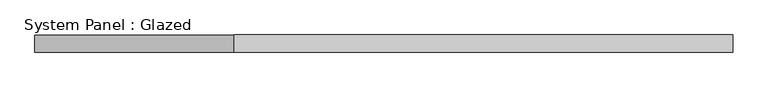
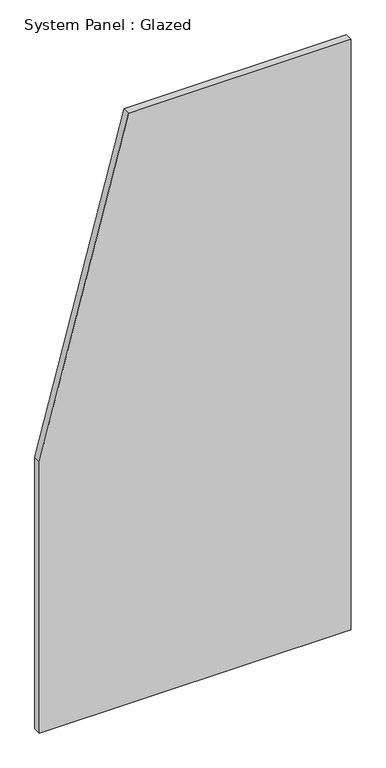
"""IFC4 building model written with IfcOpenShell, lengths in millimetres: plate geometry, System Panel : Glazed."""

from ifc_helpers import new_model, si_unit, frame, origin, place, context, project, spatial, polyline, outline, extrude, source, transform, mapped, element, save


def system_panel_glazed_586b46da(model_context):
    return source(origin(), model_context, "Body", "SweptSolid", [
        extrude(outline(polyline([(0.0, -500.0), (0.0, 500.0), (2000.0, 500.0), (2000.0, -214.2857146), (918.9189201, -500.0), (0.0, -500.0)])), frame((0.0, 24.5, 0.0), z_axis=(0.0, 1.0, 0.0), x_axis=(0.0, 0.0, 1.0)), (0.0, 0.0, 1.0), 25.0),
    ])


if __name__ == "__main__":
    model = new_model("IFC4")
    model_context = context("Model", 3, world=origin())
    ifc_project = project(units=[si_unit("LENGTHUNIT", "METRE", prefix="MILLI")], contexts=[model_context])
    site = spatial("IfcSite", under=ifc_project)
    building = spatial("IfcBuilding", under=site)
    placement = place(None, origin())
    system_panel_glazed_shape = system_panel_glazed_586b46da(model_context)
    element("IfcPlate", 1, ObjectType="System Panel : Glazed", at=placement, inside=building, context=model_context, shape_type="MappedRepresentation", body=[
        mapped(system_panel_glazed_shape, transform((0.0, 0.0, 0.0), x_axis=(1.0, 0.0, 0.0), y_axis=(0.0, 1.0, 0.0), z_axis=(0.0, 0.0, 1.0))),
    ])
    save(model, "model.ifc")
